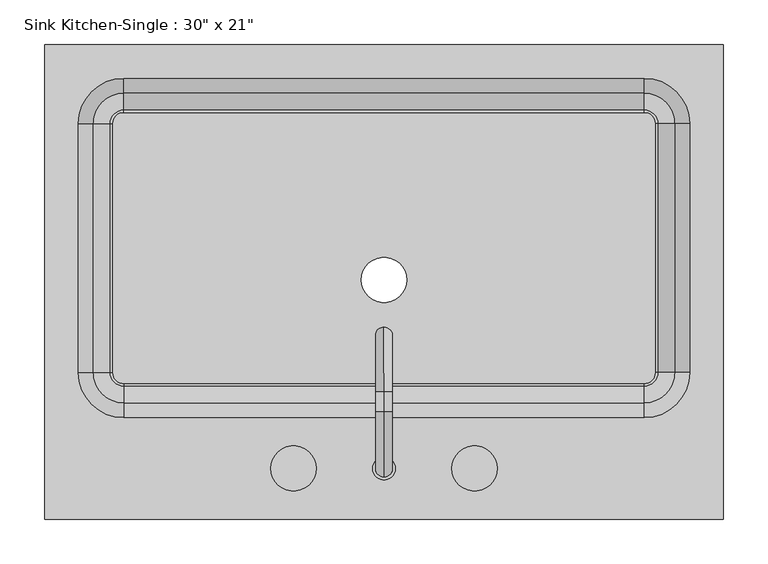
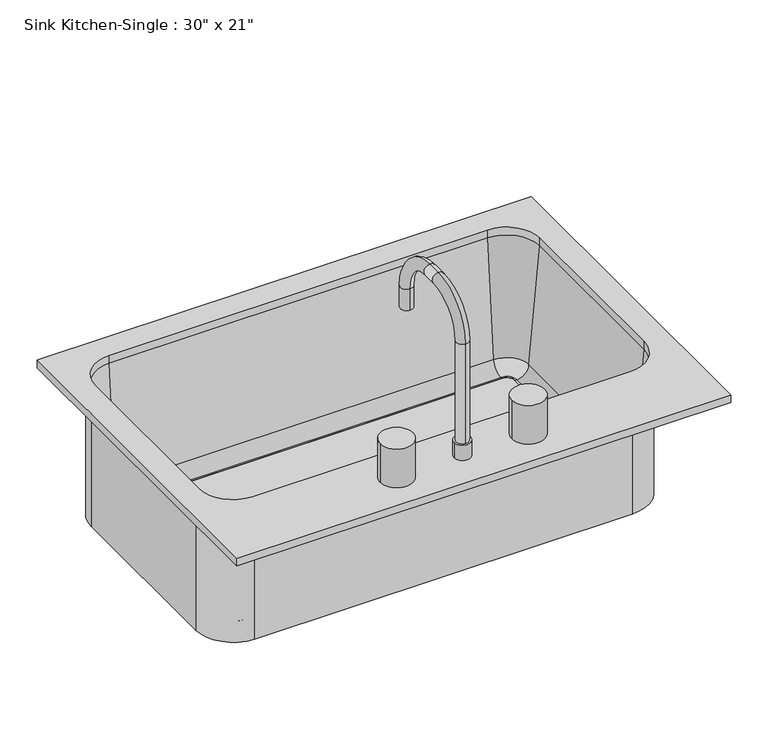
"""IFC4 building model written with IfcOpenShell, lengths in millimetres: flow terminal geometry."""

import ifcopenshell
import ifcopenshell.guid

model = None  # the IFC model being written
_history = None  # IfcOwnerHistory: only IFC2X3 demands one
_inside = {}  # id of a spatial element -> (the spatial element, [elements in it])
_under = {}  # id of a project, library or spatial element -> (it, [spatial elements below it])
_declared = {}  # id of a project -> (the project, [libraries it declares])
_typed = {}  # id of a type object -> (the type object, [elements of that type])
_made_of = {}  # id of a material, layer set ... -> (it, [elements and type objects made of it])


def new_model(schema):
    """Start an empty IFC model of exactly this schema.

    Asked for "IFC4X3", IfcOpenShell would pick the latest addendum, in which some entities
    have other attributes; the version numbers below select the first issue.
    IFC2X3 requires an IfcOwnerHistory on every rooted entity: one is made here for all.
    """
    global model, _history
    if schema == "IFC4X3":
        model = ifcopenshell.file(schema_version=(4, 3, 0, 0))
    else:
        model = ifcopenshell.file(schema=schema)
    _inside.clear()
    _under.clear()
    _declared.clear()
    _typed.clear()
    _made_of.clear()
    _history = None
    if model.schema == "IFC2X3":
        org = make("IfcOrganization", Name="unknown")
        user = make(
            "IfcPersonAndOrganization",
            ThePerson=make("IfcPerson", FamilyName="unknown"),
            TheOrganization=org,
        )
        app = make(
            "IfcApplication",
            ApplicationDeveloper=org,
            Version="unknown",
            ApplicationFullName="unknown",
            ApplicationIdentifier="unknown",
        )
        _history = make(
            "IfcOwnerHistory",
            OwningUser=user,
            OwningApplication=app,
            ChangeAction="ADDED",
            CreationDate=0,
        )
    return model


def make(cls, **values):
    """One entity of the class cls with the attributes given. An attribute that is None is left unset."""
    return model.create_entity(
        cls, **{name: value for name, value in values.items() if value is not None}
    )


def rooted(cls, **values):
    """An entity with a GlobalId (a new one), such as an element, a storey or a relation."""
    return make(cls, GlobalId=ifcopenshell.guid.new(), OwnerHistory=_history, **values)


def si_unit(unit_type, name, prefix=None):
    """IfcSIUnit, for example si_unit("LENGTHUNIT", "METRE", prefix="MILLI")."""
    return make("IfcSIUnit", UnitType=unit_type, Prefix=prefix, Name=name)


def assignment(units):
    """IfcUnitAssignment: the units of a project."""
    return None if units is None else make("IfcUnitAssignment", Units=units)


def point(xyz):
    """IfcCartesianPoint."""
    return None if xyz is None else make("IfcCartesianPoint", Coordinates=xyz)


def direction(xyz):
    """IfcDirection."""
    return None if xyz is None else make("IfcDirection", DirectionRatios=xyz)


def frame(location, z_axis=None, x_axis=None):
    """IfcAxis2Placement3D, a coordinate frame: its origin and axes. An axis left out is left unset."""
    return make(
        "IfcAxis2Placement3D",
        Location=point(location),
        Axis=direction(z_axis),
        RefDirection=direction(x_axis),
    )


def frame_2d(location, x_axis=None):
    """IfcAxis2Placement2D, a coordinate frame in the plane: its origin and x axis."""
    return make(
        "IfcAxis2Placement2D", Location=point(location), RefDirection=direction(x_axis)
    )


def origin():
    """The frame at (0, 0, 0) with its axes left unset."""
    return frame((0.0, 0.0, 0.0))


def place(relative_to, where):
    """IfcLocalPlacement: puts the frame where relative to a parent placement (None: the world)."""
    return make(
        "IfcLocalPlacement", PlacementRelTo=relative_to, RelativePlacement=where
    )


def context(
    kind, dimensions, precision=None, world=None, true_north=None, identifier=None
):
    """IfcGeometricRepresentationContext, for example the 3D "Model" context."""
    return make(
        "IfcGeometricRepresentationContext",
        ContextIdentifier=identifier,
        ContextType=kind,
        CoordinateSpaceDimension=dimensions,
        Precision=precision,
        WorldCoordinateSystem=world,
        TrueNorth=true_north,
    )


def project(units=None, contexts=None):
    """IfcProject with its units and contexts."""
    return rooted(
        "IfcProject",
        Name="project",
        RepresentationContexts=contexts,
        UnitsInContext=assignment(units),
    )


def spatial(cls, under=None, at=None, **own):
    """A site, building, storey or space (cls), placed at a placement, below another one or the project."""
    s = rooted(cls, ObjectPlacement=at, **own)
    if under is not None:
        _under.setdefault(under.id(), (under, []))[1].append(s)
    return s


def polyline(points):
    """IfcPolyline through the points."""
    return make("IfcPolyline", Points=[point(p) for p in points])


def circle_curve(where, radius):
    """IfcCircle in the frame where."""
    return make("IfcCircle", Position=where, Radius=radius)


def ellipse_curve(where, semi_axis1, semi_axis2):
    """IfcEllipse in the frame where."""
    return make(
        "IfcEllipse", Position=where, SemiAxis1=semi_axis1, SemiAxis2=semi_axis2
    )


def trimmed(basis, trim1, trim2, sense, master):
    """IfcTrimmedCurve: the piece of a basis curve between two trims."""
    return make(
        "IfcTrimmedCurve",
        BasisCurve=basis,
        Trim1=trim1,
        Trim2=trim2,
        SenseAgreement=sense,
        MasterRepresentation=master,
    )


def segment(curve, same_sense, transition):
    """IfcCompositeCurveSegment."""
    return make(
        "IfcCompositeCurveSegment",
        Transition=transition,
        SameSense=same_sense,
        ParentCurve=curve,
    )


def composite_curve(segments, self_intersect=None):
    """IfcCompositeCurve: segments joined end to end."""
    return make("IfcCompositeCurve", Segments=segments, SelfIntersect=self_intersect)


def outline(outer, holes=None, kind="AREA"):
    """IfcArbitraryClosedProfileDef: a profile drawn as a closed curve; with holes, ...WithVoids."""
    if holes is None:
        return make("IfcArbitraryClosedProfileDef", ProfileType=kind, OuterCurve=outer)
    return make(
        "IfcArbitraryProfileDefWithVoids",
        ProfileType=kind,
        OuterCurve=outer,
        InnerCurves=holes,
    )


def extrude(swept, where, along, depth):
    """IfcExtrudedAreaSolid: the profile swept, set in the frame where, extruded along a direction by depth."""
    return make(
        "IfcExtrudedAreaSolid",
        SweptArea=swept,
        Position=where,
        ExtrudedDirection=direction(along),
        Depth=depth,
    )


def shape(context_of_items, identifier, shape_type, items):
    """IfcShapeRepresentation: the items that make up one representation, for example the "Body"."""
    return make(
        "IfcShapeRepresentation",
        ContextOfItems=context_of_items,
        RepresentationIdentifier=identifier,
        RepresentationType=shape_type,
        Items=items,
    )


def source(mapping_origin, context_of_items, identifier, shape_type, items):
    """IfcRepresentationMap: a shape defined once, which mapped items show again and again."""
    return make(
        "IfcRepresentationMap",
        MappingOrigin=mapping_origin,
        MappedRepresentation=shape(context_of_items, identifier, shape_type, items),
    )


def transform(
    local_origin,
    x_axis=None,
    y_axis=None,
    z_axis=None,
    scale=None,
    scale2=None,
    scale3=None,
    uniform=True,
):
    """IfcCartesianTransformationOperator3D, or its non-uniform kind. x_axis, y_axis, z_axis: its Axis1, 2, 3."""
    if uniform:
        return make(
            "IfcCartesianTransformationOperator3D",
            Axis1=direction(x_axis),
            Axis2=direction(y_axis),
            LocalOrigin=point(local_origin),
            Scale=scale,
            Axis3=direction(z_axis),
        )
    return make(
        "IfcCartesianTransformationOperator3DnonUniform",
        Axis1=direction(x_axis),
        Axis2=direction(y_axis),
        LocalOrigin=point(local_origin),
        Scale=scale,
        Axis3=direction(z_axis),
        Scale2=scale2,
        Scale3=scale3,
    )


def mapped(mapping_source, mapping_target):
    """IfcMappedItem: shows the shape of a source again, moved by a transform."""
    return make(
        "IfcMappedItem", MappingSource=mapping_source, MappingTarget=mapping_target
    )


def made_of(thing, what):
    """Note that an element or type object is made of a material, layer set ...; save() writes the relation."""
    if what is not None:
        _made_of.setdefault(what.id(), (what, []))[1].append(thing)
    return thing


def element(
    cls,
    number,
    at=None,
    inside=None,
    cuts=None,
    type_object=None,
    material=None,
    context=None,
    identifier="Body",
    shape_type=None,
    held_by="IfcProductDefinitionShape",
    body=None,
    shapes=None,
    **own,
):
    """One element of the class cls, such as IfcWall. Its Tag is "e" and its number.

    at: its placement. inside: the storey or other place that contains it. cuts: it is an
    opening in that element (IfcRelVoidsElement). A single representation is given by context,
    identifier, shape_type and body (its items); several are given by shapes. held_by: the class
    of the entity that holds the representations. save() writes the other relations.
    """
    e = rooted(cls, Tag="e%d" % number, ObjectPlacement=at, **own)
    if body is not None:
        shapes = [shape(context, identifier, shape_type, body)]
    if shapes is not None:
        e.Representation = make(held_by, Representations=shapes)
    if inside is not None:
        _inside.setdefault(inside.id(), (inside, []))[1].append(e)
    if cuts is not None:
        rooted(
            "IfcRelVoidsElement", RelatingBuildingElement=cuts, RelatedOpeningElement=e
        )
    if type_object is not None:
        _typed.setdefault(type_object.id(), (type_object, []))[1].append(e)
    return made_of(e, material)


def aggregate(whole, parts):
    """IfcRelAggregates: a whole, such as a stair, and the parts it consists of."""
    return rooted("IfcRelAggregates", RelatingObject=whole, RelatedObjects=parts)


def save(model, path):
    """Write the relations noted so far, then the file.

    IfcRelAggregates (storeys below a building ...), IfcRelContainedInSpatialStructure (elements
    in a storey), IfcRelDefinesByType, IfcRelAssociatesMaterial and IfcRelDeclares: one each for
    every whole, place, type object, material and project.
    """
    for whole, parts in _under.values():
        aggregate(whole, parts)
    for where, things in _inside.values():
        rooted(
            "IfcRelContainedInSpatialStructure",
            RelatedElements=things,
            RelatingStructure=where,
        )
    for kind, things in _typed.values():
        rooted("IfcRelDefinesByType", RelatedObjects=things, RelatingType=kind)
    for what, things in _made_of.values():
        rooted("IfcRelAssociatesMaterial", RelatedObjects=things, RelatingMaterial=what)
    for by, libraries in _declared.values():
        rooted("IfcRelDeclares", RelatingContext=by, RelatedDefinitions=libraries)
    model.write(path)


def plane_surface(at):
    """IfcPlane: the flat surface through the origin of the frame at, square to its z axis."""
    return make("IfcPlane", Position=at)


def cylinder_surface(at, radius):
    """IfcCylindricalSurface: all points at the distance radius from the z axis of the frame at."""
    return make("IfcCylindricalSurface", Position=at, Radius=radius)


def revolved_surface(curve, axis_point, axis_direction):
    """IfcSurfaceOfRevolution: the curve turned about the line through axis_point along axis_direction."""
    return make(
        "IfcSurfaceOfRevolution",
        SweptCurve=make("IfcArbitraryOpenProfileDef", ProfileType="CURVE", Curve=curve),
        AxisPosition=make("IfcAxis1Placement", Location=point(axis_point), Axis=direction(axis_direction)),
    )


def advanced_brep(points, edges, surfaces, faces):
    """IfcAdvancedBrep: a solid bounded by faces that lie on surfaces and meet in shared edges.

    An edge is (start, end): straight between two places in points (the first is 0);
    or (start, end, curve); or (start, end, curve, False) where it runs against its curve.
    A face is (place in surfaces, loops), or (place, loops, False) where it looks against
    its surface's normal. A loop lists edges by number (the first is 1), with a minus sign
    where the edge is run from its end to its start. The first loop is the outer one.
    """
    corners = [point(p) for p in points]
    vertices = [make("IfcVertexPoint", VertexGeometry=c) for c in corners]
    made = []
    for start, end, *more in edges:
        made.append(
            make(
                "IfcEdgeCurve",
                EdgeStart=vertices[start],
                EdgeEnd=vertices[end],
                EdgeGeometry=more[0] if more else make("IfcPolyline", Points=[corners[start], corners[end]]),
                SameSense=more[1] if len(more) > 1 else True,
            )
        )
    hull = []
    for where, loops, *sense in faces:
        bounds = []
        for j, loop in enumerate(loops):
            ring = [make("IfcOrientedEdge", EdgeElement=made[abs(k) - 1], Orientation=k > 0) for k in loop]
            bounds.append(
                make(
                    "IfcFaceOuterBound" if j == 0 else "IfcFaceBound",
                    Bound=make("IfcEdgeLoop", EdgeList=ring),
                    Orientation=True,
                )
            )
        hull.append(make("IfcAdvancedFace", Bounds=bounds, FaceSurface=surfaces[where], SameSense=sense[0] if sense else True))
    return make("IfcAdvancedBrep", Outer=make("IfcClosedShell", CfsFaces=hull))


def flow_terminal_e2d888b9(model_context):
    return source(origin(), model_context, "Body", "SolidModel", [
        advanced_brep(
        [(396.6892406, -269.0454011, 927.1), (396.6892406, 264.3545989, 927.1), (-365.3107594, 264.3545989, 927.1), (-365.3107594, -269.0454011, 927.1), (307.7892406, -154.7454011, 927.1), (-276.4107594, -154.7454011, 927.1), (-327.2107594, -103.9454011, 927.1), (-327.2107594, 175.4545989, 927.1), (-276.4107594, 226.2545989, 927.1), (307.7892406, 226.2545989, 927.1), (358.5892406, 175.4545989, 927.1), (358.5892406, -103.9454011, 927.1), (396.6892406, -269.0454011, 914.4), (-365.3107594, -269.0454011, 914.4), (-365.3107594, 264.3545989, 914.4), (396.6892406, 264.3545989, 914.4), (364.9392406, -103.9454011, 914.4), (364.9392406, 175.4545989, 914.4), (307.7892406, 232.6045989, 914.4), (-276.4107594, 232.6045989, 914.4), (-333.5607594, 175.4545989, 914.4), (-333.5607594, -103.9454011, 914.4), (-276.4107594, -161.0954011, 914.4), (307.7892406, -161.0954011, 914.4), (358.5892406, -103.9454011, 914.4), (307.7892406, -154.7454011, 914.4), (358.5892406, 175.4545989, 914.4), (307.7892406, 226.2545989, 914.4), (-276.4107594, 226.2545989, 914.4), (-327.2107594, 175.4545989, 914.4), (-327.2107594, -103.9454011, 914.4), (-276.4107594, -154.7454011, 914.4), (364.9392406, -103.9454011, 698.5), (307.7892406, -161.0954011, 698.5), (307.7892406, -116.6454011, 698.5), (320.4892406, -103.9454011, 698.5), (307.7892406, -116.6454011, 708.025), (320.4892406, -103.9454011, 708.025), (307.7892406, -119.2338193, 708.025), (323.0776588, -103.9454011, 708.025), (307.7892406, -138.2113283, 725.4146831), (342.0551678, -103.9454011, 725.4146831), (364.9392406, 175.4545989, 698.5), (320.4892406, 175.4545989, 698.5), (320.4892406, 175.4545989, 708.025), (323.0776588, 175.4545989, 708.025), (342.0551678, 175.4545989, 725.4146831), (307.7892406, 232.6045989, 698.5), (307.7892406, 188.1545989, 698.5), (307.7892406, 188.1545989, 708.025), (307.7892406, 190.7430171, 708.025), (307.7892406, 209.7205261, 725.4146831), (-276.4107594, 232.6045989, 698.5), (-276.4107594, 188.1545989, 698.5), (-276.4107594, 188.1545989, 708.025), (-276.4107594, 190.7430171, 708.025), (-276.4107594, 209.7205261, 725.4146831), (-333.5607594, 175.4545989, 698.5), (-289.1107594, 175.4545989, 698.5), (-289.1107594, 175.4545989, 708.025), (-291.6991776, 175.4545989, 708.025), (-310.6766866, 175.4545989, 725.4146831), (-333.5607594, -103.9454011, 698.5), (-289.1107594, -103.9454011, 698.5), (-289.1107594, -103.9454011, 708.025), (-291.6991776, -103.9454011, 708.025), (-310.6766866, -103.9454011, 725.4146831), (-276.4107594, -161.0954011, 698.5), (-276.4107594, -116.6454011, 698.5), (-276.4107594, -116.6454011, 708.025), (-276.4107594, -119.2338193, 708.025), (-276.4107594, -138.2113283, 725.4146831)],
        [
            (0, 1),
            (1, 2),
            (2, 3),
            (3, 0),
            (4, 5),
            (5, 6, circle_curve(frame((-276.4107594, -103.9454011, 927.1), z_axis=(0.0, 0.0, -1.0), x_axis=(1.0, 0.0, 0.0)), 50.8)),
            (6, 7),
            (7, 8, circle_curve(frame((-276.4107594, 175.4545989, 927.1), z_axis=(0.0, 0.0, -1.0), x_axis=(1.0, 0.0, 0.0)), 50.8)),
            (8, 9),
            (9, 10, circle_curve(frame((307.7892406, 175.4545989, 927.1), z_axis=(0.0, 0.0, -1.0), x_axis=(1.0, 0.0, 0.0)), 50.8)),
            (10, 11),
            (11, 4, circle_curve(frame((307.7892406, -103.9454011, 927.1), z_axis=(0.0, 0.0, -1.0), x_axis=(1.0, 0.0, 0.0)), 50.8)),
            (12, 13),
            (13, 14),
            (14, 15),
            (15, 12),
            (16, 17),
            (17, 18, circle_curve(frame((307.7892406, 175.4545989, 914.4), z_axis=(0.0, 0.0, 1.0), x_axis=(1.0, 0.0, 0.0)), 57.15)),
            (18, 19),
            (19, 20, circle_curve(frame((-276.4107594, 175.4545989, 914.4), z_axis=(0.0, 0.0, 1.0), x_axis=(0.0, 1.0, 0.0)), 57.15)),
            (20, 21),
            (21, 22, circle_curve(frame((-276.4107594, -103.9454011, 914.4), z_axis=(0.0, 0.0, 1.0), x_axis=(-1.0, 0.0, 0.0)), 57.15)),
            (22, 23),
            (23, 16, circle_curve(frame((307.7892406, -103.9454011, 914.4), z_axis=(0.0, 0.0, 1.0), x_axis=(0.0, -1.0, 0.0)), 57.15)),
            (3, 13),
            (12, 0),
            (2, 14),
            (1, 15),
            (11, 24),
            (24, 25, circle_curve(frame((307.7892406, -103.9454011, 914.4), z_axis=(0.0, 0.0, -1.0), x_axis=(1.0, 0.0, 0.0)), 50.8)),
            (25, 4),
            (10, 26),
            (26, 24),
            (9, 27),
            (27, 26, circle_curve(frame((307.7892406, 175.4545989, 914.4), z_axis=(0.0, 0.0, -1.0), x_axis=(1.0, 0.0, 0.0)), 50.8)),
            (8, 28),
            (28, 27),
            (7, 29),
            (29, 28, circle_curve(frame((-276.4107594, 175.4545989, 914.4), z_axis=(0.0, 0.0, -1.0), x_axis=(1.0, 0.0, 0.0)), 50.8)),
            (6, 30),
            (30, 29),
            (5, 31),
            (31, 30, circle_curve(frame((-276.4107594, -103.9454011, 914.4), z_axis=(0.0, 0.0, -1.0), x_axis=(1.0, 0.0, 0.0)), 50.8)),
            (25, 31),
            (32, 16),
            (23, 33),
            (33, 32, circle_curve(frame((307.7892406, -103.9454011, 698.5), z_axis=(0.0, 0.0, 1.0), x_axis=(0.0, -1.0, 0.0)), 57.15)),
            (33, 34),
            (34, 35, circle_curve(frame((307.7892406, -103.9454011, 698.5), z_axis=(0.0, 0.0, 1.0), x_axis=(0.0, -1.0, 0.0)), 12.7)),
            (35, 32),
            (34, 36),
            (36, 37, circle_curve(frame((307.7892406, -103.9454011, 708.025), z_axis=(0.0, 0.0, 1.0), x_axis=(0.0, -1.0, 0.0)), 12.7)),
            (37, 35),
            (36, 38),
            (38, 39, circle_curve(frame((307.7892406, -103.9454011, 708.025), z_axis=(0.0, 0.0, 1.0), x_axis=(0.0, -1.0, 0.0)), 15.2884182)),
            (39, 37),
            (38, 40, circle_curve(frame((307.7892406, -119.2338193, 727.075), z_axis=(-1.0, 0.0, 0.0), x_axis=(0.0, -1.0, 0.0)), 19.05)),
            (40, 41, circle_curve(frame((307.7892406, -103.9454011, 725.4146831), z_axis=(0.0, 0.0, 1.0), x_axis=(0.0, -1.0, 0.0)), 34.2659272)),
            (41, 39, circle_curve(frame((323.0776588, -103.9454011, 727.075), z_axis=(0.0, 1.0, 0.0), x_axis=(1.0, 0.0, 0.0)), 19.05)),
            (40, 25),
            (24, 41),
            (32, 42),
            (42, 17),
            (35, 43),
            (43, 42),
            (37, 44),
            (44, 43),
            (39, 45),
            (45, 44),
            (41, 46),
            (46, 45, circle_curve(frame((323.0776588, 175.4545989, 727.075), z_axis=(0.0, 1.0, 0.0), x_axis=(1.0, 0.0, 0.0)), 19.05)),
            (26, 46),
            (42, 47, circle_curve(frame((307.7892406, 175.4545989, 698.5), z_axis=(0.0, 0.0, 1.0), x_axis=(1.0, 0.0, 0.0)), 57.15)),
            (47, 18),
            (43, 48, circle_curve(frame((307.7892406, 175.4545989, 698.5), z_axis=(0.0, 0.0, 1.0), x_axis=(1.0, 0.0, 0.0)), 12.7)),
            (48, 47),
            (44, 49, circle_curve(frame((307.7892406, 175.4545989, 708.025), z_axis=(0.0, 0.0, 1.0), x_axis=(1.0, 0.0, 0.0)), 12.7)),
            (49, 48),
            (45, 50, circle_curve(frame((307.7892406, 175.4545989, 708.025), z_axis=(0.0, 0.0, 1.0), x_axis=(1.0, 0.0, 0.0)), 15.2884182)),
            (50, 49),
            (46, 51, circle_curve(frame((307.7892406, 175.4545989, 725.4146831), z_axis=(0.0, 0.0, 1.0), x_axis=(1.0, 0.0, 0.0)), 34.2659272)),
            (51, 50, circle_curve(frame((307.7892406, 190.7430171, 727.075), z_axis=(-1.0, 0.0, 0.0), x_axis=(0.0, 1.0, 0.0)), 19.05)),
            (27, 51),
            (47, 52),
            (52, 19),
            (48, 53),
            (53, 52),
            (49, 54),
            (54, 53),
            (50, 55),
            (55, 54),
            (51, 56),
            (56, 55, circle_curve(frame((-276.4107594, 190.7430171, 727.075), z_axis=(-1.0, 0.0, 0.0), x_axis=(0.0, 1.0, 0.0)), 19.05)),
            (28, 56),
            (52, 57, circle_curve(frame((-276.4107594, 175.4545989, 698.5), z_axis=(0.0, 0.0, 1.0), x_axis=(0.0, 1.0, 0.0)), 57.15)),
            (57, 20),
            (53, 58, circle_curve(frame((-276.4107594, 175.4545989, 698.5), z_axis=(0.0, 0.0, 1.0), x_axis=(0.0, 1.0, 0.0)), 12.7)),
            (58, 57),
            (54, 59, circle_curve(frame((-276.4107594, 175.4545989, 708.025), z_axis=(0.0, 0.0, 1.0), x_axis=(0.0, 1.0, 0.0)), 12.7)),
            (59, 58),
            (55, 60, circle_curve(frame((-276.4107594, 175.4545989, 708.025), z_axis=(0.0, 0.0, 1.0), x_axis=(0.0, 1.0, 0.0)), 15.2884182)),
            (60, 59),
            (56, 61, circle_curve(frame((-276.4107594, 175.4545989, 725.4146831), z_axis=(0.0, 0.0, 1.0), x_axis=(0.0, 1.0, 0.0)), 34.2659272)),
            (61, 60, circle_curve(frame((-291.6991776, 175.4545989, 727.075), z_axis=(0.0, -1.0, 0.0), x_axis=(-1.0, 0.0, 0.0)), 19.05)),
            (29, 61),
            (57, 62),
            (62, 21),
            (58, 63),
            (63, 62),
            (59, 64),
            (64, 63),
            (60, 65),
            (65, 64),
            (61, 66),
            (66, 65, circle_curve(frame((-291.6991776, -103.9454011, 727.075), z_axis=(0.0, -1.0, 0.0), x_axis=(-1.0, 0.0, 0.0)), 19.05)),
            (30, 66),
            (62, 67, circle_curve(frame((-276.4107594, -103.9454011, 698.5), z_axis=(0.0, 0.0, 1.0), x_axis=(-1.0, 0.0, 0.0)), 57.15)),
            (67, 22),
            (63, 68, circle_curve(frame((-276.4107594, -103.9454011, 698.5), z_axis=(0.0, 0.0, 1.0), x_axis=(-1.0, 0.0, 0.0)), 12.7)),
            (68, 67),
            (64, 69, circle_curve(frame((-276.4107594, -103.9454011, 708.025), z_axis=(0.0, 0.0, 1.0), x_axis=(-1.0, 0.0, 0.0)), 12.7)),
            (69, 68),
            (65, 70, circle_curve(frame((-276.4107594, -103.9454011, 708.025), z_axis=(0.0, 0.0, 1.0), x_axis=(-1.0, 0.0, 0.0)), 15.2884182)),
            (70, 69),
            (66, 71, circle_curve(frame((-276.4107594, -103.9454011, 725.4146831), z_axis=(0.0, 0.0, 1.0), x_axis=(-1.0, 0.0, 0.0)), 34.2659272)),
            (71, 70, circle_curve(frame((-276.4107594, -119.2338193, 727.075), z_axis=(1.0, 0.0, 0.0), x_axis=(0.0, -1.0, 0.0)), 19.05)),
            (31, 71),
            (67, 33),
            (68, 34),
            (69, 36),
            (70, 38),
            (71, 40),
        ],
        [
            plane_surface(frame((-365.3107594, -269.0454011, 927.1), z_axis=(0.0, 0.0, 1.0), x_axis=(-1.0, 0.0, 0.0))),
            plane_surface(frame((-365.3107594, -269.0454011, 914.4), z_axis=(0.0, 0.0, -1.0), x_axis=(1.0, 0.0, 0.0))),
            plane_surface(frame((396.6892406, -269.0454011, 927.1), z_axis=(0.0, -1.0, 0.0), x_axis=(0.0, 0.0, -1.0))),
            plane_surface(frame((-365.3107594, -269.0454011, 927.1), z_axis=(-1.0, 0.0, 0.0), x_axis=(0.0, 0.0, -1.0))),
            plane_surface(frame((-365.3107594, 264.3545989, 927.1), z_axis=(0.0, 1.0, 0.0), x_axis=(0.0, 0.0, -1.0))),
            plane_surface(frame((396.6892406, 264.3545989, 927.1), z_axis=(1.0, 0.0, 0.0), x_axis=(0.0, 0.0, -1.0))),
            revolved_surface(polyline([(358.58924060000004, -103.9454011, 914.4), (358.58924060000004, -103.9454011, 927.1)]), (307.7892406, -103.9454011, 0.0), (0.0, 0.0, -1.0)),
            plane_surface(frame((358.5892406, -103.9454011, 927.1), z_axis=(-1.0, 0.0, 0.0), x_axis=(0.0, 0.0, -1.0))),
            revolved_surface(polyline([(358.58924060000004, 175.4545989, 914.4), (358.58924060000004, 175.4545989, 927.1)]), (307.7892406, 175.4545989, 0.0), (0.0, 0.0, -1.0)),
            plane_surface(frame((307.7892406, 226.2545989, 927.1), z_axis=(0.0, -1.0, 0.0), x_axis=(0.0, 0.0, -1.0))),
            revolved_surface(polyline([(-225.6107594, 175.4545989, 914.4), (-225.6107594, 175.4545989, 927.1)]), (-276.4107594, 175.4545989, 0.0), (0.0, 0.0, -1.0)),
            plane_surface(frame((-327.2107594, 175.4545989, 927.1), z_axis=(1.0, 0.0, 0.0), x_axis=(0.0, 0.0, -1.0))),
            revolved_surface(polyline([(-225.6107594, -103.9454011, 914.4), (-225.6107594, -103.9454011, 927.1)]), (-276.4107594, -103.9454011, 0.0), (0.0, 0.0, -1.0)),
            plane_surface(frame((-276.4107594, -154.7454011, 927.1), z_axis=(0.0, 1.0, 0.0), x_axis=(0.0, 0.0, -1.0))),
            cylinder_surface(frame((307.7892406, -103.9454011, 0.0), z_axis=(0.0, 0.0, -1.0), x_axis=(0.0, -1.0, 0.0)), 57.15),
            plane_surface(frame((307.7892406, -103.9454011, 698.5), z_axis=(0.0, 0.0, -1.0), x_axis=(0.0, -1.0, 0.0))),
            revolved_surface(polyline([(307.7892406, -116.6454011, 698.5), (307.7892406, -116.6454011, 708.025)]), (307.7892406, -103.9454011, 0.0), (0.0, 0.0, -1.0)),
            plane_surface(frame((307.7892406, -103.9454011, 708.025), z_axis=(0.0, 0.0, 1.0), x_axis=(0.0, -1.0, 0.0))),
            revolved_surface(trimmed(ellipse_curve(frame((307.7892406, -119.2338193, 727.075), z_axis=(-1.0, 0.0, 0.0), x_axis=(0.0, -1.0, 0.0)), 19.05, 19.05), [point((307.7892406, -119.2338193, 708.025))], [point((307.7892406, -138.2113283, 725.4146831))], True, "CARTESIAN"), (307.7892406, -103.9454011, 0.0), (0.0, 0.0, -1.0)),
            revolved_surface(polyline([(307.7892406, -138.2113283, 725.4146831), (307.7892406, -154.7454011, 914.4)]), (307.7892406, -103.9454011, 0.0), (0.0, 0.0, -1.0)),
            plane_surface(frame((364.9392406, -103.9454011, 914.4), z_axis=(1.0, 0.0, 0.0), x_axis=(0.0, 1.0, 0.0))),
            plane_surface(frame((364.9392406, -103.9454011, 698.5), z_axis=(0.0, 0.0, -1.0), x_axis=(0.0, 1.0, 0.0))),
            plane_surface(frame((320.4892406, -103.9454011, 698.5), z_axis=(-1.0, 0.0, 0.0), x_axis=(0.0, 1.0, 0.0))),
            plane_surface(frame((320.4892406, -103.9454011, 708.025), z_axis=(0.0, 0.0, 1.0), x_axis=(0.0, 1.0, 0.0))),
            revolved_surface(polyline([(342.1276588, 175.45459889999998, 727.075), (342.1276588, -103.9454011, 727.075)]), (323.0776588, -103.9454011, 727.075), (0.0, 1.0, 0.0)),
            plane_surface(frame((342.0551678, -103.9454011, 725.4146831), z_axis=(-0.9961946980917442, 0.0, 0.08715574274767306), x_axis=(0.0, 1.0, 0.0))),
            cylinder_surface(frame((307.7892406, 175.4545989, 0.0), z_axis=(0.0, 0.0, -1.0), x_axis=(1.0, 0.0, 0.0)), 57.15),
            plane_surface(frame((307.7892406, 175.4545989, 698.5), z_axis=(0.0, 0.0, -1.0), x_axis=(1.0, 0.0, 0.0))),
            revolved_surface(polyline([(320.4892406, 175.4545989, 698.5), (320.4892406, 175.4545989, 708.025)]), (307.7892406, 175.4545989, 0.0), (0.0, 0.0, -1.0)),
            plane_surface(frame((307.7892406, 175.4545989, 708.025), z_axis=(0.0, 0.0, 1.0), x_axis=(1.0, 0.0, 0.0))),
            revolved_surface(trimmed(ellipse_curve(frame((323.0776588, 175.4545989, 727.075), z_axis=(0.0, -1.0, 0.0), x_axis=(1.0, 0.0, 0.0)), 19.05, 19.05), [point((323.0776588, 175.4545989, 708.025))], [point((342.0551678, 175.4545989, 725.4146831))], True, "CARTESIAN"), (307.7892406, 175.4545989, 0.0), (0.0, 0.0, -1.0)),
            revolved_surface(polyline([(342.0551678, 175.4545989, 725.4146831), (358.5892406, 175.4545989, 914.4)]), (307.7892406, 175.4545989, 0.0), (0.0, 0.0, -1.0)),
            plane_surface(frame((307.7892406, 232.6045989, 914.4), z_axis=(0.0, 1.0, 0.0), x_axis=(-1.0, 0.0, 0.0))),
            plane_surface(frame((307.7892406, 232.6045989, 698.5), z_axis=(0.0, 0.0, -1.0), x_axis=(-1.0, 0.0, 0.0))),
            plane_surface(frame((307.7892406, 188.1545989, 698.5), z_axis=(0.0, -1.0, 0.0), x_axis=(-1.0, 0.0, 0.0))),
            plane_surface(frame((307.7892406, 188.1545989, 708.025), z_axis=(0.0, 0.0, 1.0), x_axis=(-1.0, 0.0, 0.0))),
            revolved_surface(polyline([(-276.4107594, 209.79301710000001, 727.075), (307.7892406, 209.79301710000001, 727.075)]), (307.7892406, 190.7430171, 727.075), (-1.0, 0.0, 0.0)),
            plane_surface(frame((307.7892406, 209.7205261, 725.4146831), z_axis=(0.0, -0.9961946980917442, 0.08715574274767306), x_axis=(-1.0, 0.0, 0.0))),
            cylinder_surface(frame((-276.4107594, 175.4545989, 0.0), z_axis=(0.0, 0.0, -1.0), x_axis=(0.0, 1.0, 0.0)), 57.15),
            plane_surface(frame((-276.4107594, 175.4545989, 698.5), z_axis=(0.0, 0.0, -1.0), x_axis=(0.0, 1.0, 0.0))),
            revolved_surface(polyline([(-276.4107594, 188.1545989, 698.5), (-276.4107594, 188.1545989, 708.025)]), (-276.4107594, 175.4545989, 0.0), (0.0, 0.0, -1.0)),
            plane_surface(frame((-276.4107594, 175.4545989, 708.025), z_axis=(0.0, 0.0, 1.0), x_axis=(0.0, 1.0, 0.0))),
            revolved_surface(trimmed(ellipse_curve(frame((-276.4107594, 190.7430171, 727.075), z_axis=(1.0, 0.0, 0.0), x_axis=(0.0, 1.0, 0.0)), 19.05, 19.05), [point((-276.4107594, 190.7430171, 708.025))], [point((-276.4107594, 209.7205261, 725.4146831))], True, "CARTESIAN"), (-276.4107594, 175.4545989, 0.0), (0.0, 0.0, -1.0)),
            revolved_surface(polyline([(-276.4107594, 209.7205261, 725.4146831), (-276.4107594, 226.2545989, 914.4)]), (-276.4107594, 175.4545989, 0.0), (0.0, 0.0, -1.0)),
            plane_surface(frame((-333.5607594, 175.4545989, 914.4), z_axis=(-1.0, 0.0, 0.0), x_axis=(0.0, -1.0, 0.0))),
            plane_surface(frame((-333.5607594, 175.4545989, 698.5), z_axis=(0.0, 0.0, -1.0), x_axis=(0.0, -1.0, 0.0))),
            plane_surface(frame((-289.1107594, 175.4545989, 698.5), z_axis=(1.0, 0.0, 0.0), x_axis=(0.0, -1.0, 0.0))),
            plane_surface(frame((-289.1107594, 175.4545989, 708.025), z_axis=(0.0, 0.0, 1.0), x_axis=(0.0, -1.0, 0.0))),
            revolved_surface(polyline([(-310.7491776, -103.94540109999997, 727.075), (-310.7491776, 175.4545989, 727.075)]), (-291.6991776, 175.4545989, 727.075), (0.0, -1.0, 0.0)),
            plane_surface(frame((-310.6766866, 175.4545989, 725.4146831), z_axis=(0.9961946980917442, 0.0, 0.08715574274767306), x_axis=(0.0, -1.0, 0.0))),
            cylinder_surface(frame((-276.4107594, -103.9454011, 0.0), z_axis=(0.0, 0.0, -1.0), x_axis=(-1.0, 0.0, 0.0)), 57.15),
            plane_surface(frame((-276.4107594, -103.9454011, 698.5), z_axis=(0.0, 0.0, -1.0), x_axis=(-1.0, 0.0, 0.0))),
            revolved_surface(polyline([(-289.1107594, -103.9454011, 698.5), (-289.1107594, -103.9454011, 708.025)]), (-276.4107594, -103.9454011, 0.0), (0.0, 0.0, -1.0)),
            plane_surface(frame((-276.4107594, -103.9454011, 708.025), z_axis=(0.0, 0.0, 1.0), x_axis=(-1.0, 0.0, 0.0))),
            revolved_surface(trimmed(ellipse_curve(frame((-291.6991776, -103.9454011, 727.075), z_axis=(0.0, 1.0, 0.0), x_axis=(-1.0, 0.0, 0.0)), 19.05, 19.05), [point((-291.6991776, -103.9454011, 708.025))], [point((-310.6766866, -103.9454011, 725.4146831))], True, "CARTESIAN"), (-276.4107594, -103.9454011, 0.0), (0.0, 0.0, -1.0)),
            revolved_surface(polyline([(-310.6766866, -103.9454011, 725.4146831), (-327.2107594, -103.9454011, 914.4)]), (-276.4107594, -103.9454011, 0.0), (0.0, 0.0, -1.0)),
            plane_surface(frame((-276.4107594, -161.0954011, 914.4), z_axis=(0.0, -1.0, 0.0), x_axis=(1.0, 0.0, 0.0))),
            plane_surface(frame((-276.4107594, -161.0954011, 698.5), z_axis=(0.0, 0.0, -1.0), x_axis=(1.0, 0.0, 0.0))),
            plane_surface(frame((-276.4107594, -116.6454011, 698.5), z_axis=(0.0, 1.0, 0.0), x_axis=(1.0, 0.0, 0.0))),
            plane_surface(frame((-276.4107594, -116.6454011, 708.025), z_axis=(0.0, 0.0, 1.0), x_axis=(1.0, 0.0, 0.0))),
            revolved_surface(polyline([(307.7892406, -138.2838193, 727.075), (-276.4107594, -138.2838193, 727.075)]), (-276.4107594, -119.2338193, 727.075), (1.0, 0.0, 0.0)),
            plane_surface(frame((-276.4107594, -138.2113283, 725.4146831), z_axis=(0.0, 0.9961946980917442, 0.08715574274767306), x_axis=(1.0, 0.0, 0.0))),
        ],
        [
            (0, [[1, 2, 3, 4], [5, 6, 7, 8, 9, 10, 11, 12]]),
            (1, [[13, 14, 15, 16], [17, 18, 19, 20, 21, 22, 23, 24]]),
            (2, [[25, -13, 26, -4]]),
            (3, [[27, -14, -25, -3]]),
            (4, [[28, -15, -27, -2]]),
            (5, [[-26, -16, -28, -1]]),
            (6, [[29, 30, 31, -12]]),
            (7, [[32, 33, -29, -11]]),
            (8, [[34, 35, -32, -10]]),
            (9, [[36, 37, -34, -9]]),
            (10, [[38, 39, -36, -8]]),
            (11, [[40, 41, -38, -7]]),
            (12, [[42, 43, -40, -6]]),
            (13, [[-31, 44, -42, -5]]),
            (14, [[45, -24, 46, 47]]),
            (15, [[48, 49, 50, -47]]),
            (16, [[51, 52, 53, -49]]),
            (17, [[54, 55, 56, -52]]),
            (18, [[57, 58, 59, -55]]),
            (19, [[60, -30, 61, -58]]),
            (20, [[62, 63, -17, -45]]),
            (21, [[64, 65, -62, -50]]),
            (22, [[66, 67, -64, -53]]),
            (23, [[68, 69, -66, -56]]),
            (24, [[70, 71, -68, -59]]),
            (25, [[-33, 72, -70, -61]]),
            (26, [[73, 74, -18, -63]]),
            (27, [[75, 76, -73, -65]]),
            (28, [[77, 78, -75, -67]]),
            (29, [[79, 80, -77, -69]]),
            (30, [[81, 82, -79, -71]]),
            (31, [[-35, 83, -81, -72]]),
            (32, [[84, 85, -19, -74]]),
            (33, [[86, 87, -84, -76]]),
            (34, [[88, 89, -86, -78]]),
            (35, [[90, 91, -88, -80]]),
            (36, [[92, 93, -90, -82]]),
            (37, [[-37, 94, -92, -83]]),
            (38, [[95, 96, -20, -85]]),
            (39, [[97, 98, -95, -87]]),
            (40, [[99, 100, -97, -89]]),
            (41, [[101, 102, -99, -91]]),
            (42, [[103, 104, -101, -93]]),
            (43, [[-39, 105, -103, -94]]),
            (44, [[106, 107, -21, -96]]),
            (45, [[108, 109, -106, -98]]),
            (46, [[110, 111, -108, -100]]),
            (47, [[112, 113, -110, -102]]),
            (48, [[114, 115, -112, -104]]),
            (49, [[-41, 116, -114, -105]]),
            (50, [[117, 118, -22, -107]]),
            (51, [[119, 120, -117, -109]]),
            (52, [[121, 122, -119, -111]]),
            (53, [[123, 124, -121, -113]]),
            (54, [[125, 126, -123, -115]]),
            (55, [[-43, 127, -125, -116]]),
            (56, [[-23, -118, 128, -46]]),
            (57, [[-128, -120, 129, -48]]),
            (58, [[-129, -122, 130, -51]]),
            (59, [[-130, -124, 131, -54]]),
            (60, [[-131, -126, 132, -57]]),
            (61, [[-132, -127, -44, -60]]),
        ],
    ),
        advanced_brep(
        [(2.9892406, -211.8954011, 927.1), (28.3892406, -211.8954011, 927.1), (15.6892406, -221.4204011, 1114.425), (15.6892406, -221.4204011, 952.5), (15.6892406, -202.3704011, 952.5), (15.6892406, -202.3704011, 1114.425), (15.6892406, -148.3954011, 1168.4), (15.6892406, -148.3954011, 1187.45), (15.6892406, -126.1704011, 1168.4), (15.6892406, -126.1704011, 1187.45), (15.6892406, -72.1954011, 1114.425), (15.6892406, -53.1454011, 1114.425), (15.6892406, -53.1454011, 1079.5), (15.6892406, -72.1954011, 1079.5), (2.9892406, -211.8954011, 952.5), (28.3892406, -211.8954011, 952.5)],
        [
            (0, 1, circle_curve(frame((15.6892406, -211.8954011, 927.1), z_axis=(0.0, 0.0, -1.0), x_axis=(1.0, 0.0, 0.0)), 12.7)),
            (1, 0, circle_curve(frame((15.6892406, -211.8954011, 927.1), z_axis=(0.0, 0.0, -1.0), x_axis=(1.0, 0.0, 0.0)), 12.7)),
            (2, 3),
            (3, 4, circle_curve(frame((15.6892406, -211.8954011, 952.5), z_axis=(0.0, 0.0, 1.0), x_axis=(0.0, 1.0, 0.0)), 9.525)),
            (4, 5),
            (5, 2, circle_curve(frame((15.6892406, -211.8954011, 1114.425), z_axis=(0.0, 0.0, -1.0), x_axis=(0.0, 1.0, 0.0)), 9.525)),
            (4, 3, circle_curve(frame((15.6892406, -211.8954011, 952.5), z_axis=(0.0, 0.0, 1.0), x_axis=(0.0, 1.0, 0.0)), 9.525)),
            (2, 5, circle_curve(frame((15.6892406, -211.8954011, 1114.425), z_axis=(0.0, 0.0, -1.0), x_axis=(0.0, 1.0, 0.0)), 9.525)),
            (5, 6, circle_curve(frame((15.6892406, -148.3954011, 1114.425), z_axis=(-1.0, 0.0, 0.0), x_axis=(0.0, -1.0, 0.0)), 53.975)),
            (6, 7, circle_curve(frame((15.6892406, -148.3954011, 1177.925), z_axis=(0.0, -1.0, 0.0), x_axis=(0.0, 0.0, -1.0)), 9.525)),
            (7, 2, circle_curve(frame((15.6892406, -148.3954011, 1114.425), z_axis=(1.0, 0.0, 0.0), x_axis=(0.0, -1.0, 0.0)), 73.025)),
            (7, 6, circle_curve(frame((15.6892406, -148.3954011, 1177.925), z_axis=(0.0, -1.0, 0.0), x_axis=(0.0, 0.0, -1.0)), 9.525)),
            (6, 8),
            (8, 9, circle_curve(frame((15.6892406, -126.1704011, 1177.925), z_axis=(0.0, -1.0, 0.0), x_axis=(0.0, 0.0, -1.0)), 9.525)),
            (9, 7),
            (9, 8, circle_curve(frame((15.6892406, -126.1704011, 1177.925), z_axis=(0.0, -1.0, 0.0), x_axis=(0.0, 0.0, -1.0)), 9.525)),
            (8, 10, circle_curve(frame((15.6892406, -126.1704011, 1114.425), z_axis=(-1.0, 0.0, 0.0), x_axis=(0.0, 0.0, 1.0)), 53.975)),
            (10, 11, circle_curve(frame((15.6892406, -62.6704011, 1114.425), z_axis=(0.0, 0.0, 1.0), x_axis=(0.0, -1.0, 0.0)), 9.525)),
            (11, 9, circle_curve(frame((15.6892406, -126.1704011, 1114.425), z_axis=(1.0, 0.0, 0.0), x_axis=(0.0, 0.0, 1.0)), 73.025)),
            (11, 10, circle_curve(frame((15.6892406, -62.6704011, 1114.425), z_axis=(0.0, 0.0, 1.0), x_axis=(0.0, -1.0, 0.0)), 9.525)),
            (12, 13, circle_curve(frame((15.6892406, -62.6704011, 1079.5), z_axis=(0.0, 0.0, -1.0), x_axis=(0.0, -1.0, 0.0)), 9.525)),
            (13, 12, circle_curve(frame((15.6892406, -62.6704011, 1079.5), z_axis=(0.0, 0.0, -1.0), x_axis=(0.0, -1.0, 0.0)), 9.525)),
            (10, 13),
            (12, 11),
            (14, 15, circle_curve(frame((15.6892406, -211.8954011, 952.5), z_axis=(0.0, 0.0, 1.0), x_axis=(1.0, 0.0, 0.0)), 12.7)),
            (15, 14, circle_curve(frame((15.6892406, -211.8954011, 952.5), z_axis=(0.0, 0.0, 1.0), x_axis=(1.0, 0.0, 0.0)), 12.7)),
            (15, 1),
            (0, 14),
        ],
        [
            plane_surface(frame((15.6892406, -202.3704011, 927.1), z_axis=(0.0, 0.0, -1.0), x_axis=(1.0, 0.0, 0.0))),
            cylinder_surface(frame((15.6892406, -211.8954011, 927.1), z_axis=(0.0, 0.0, -1.0), x_axis=(0.0, 1.0, 0.0)), 9.525),
            revolved_surface(trimmed(ellipse_curve(frame((15.6892406, -211.8954011, 1114.425), z_axis=(0.0, 0.0, 1.0), x_axis=(0.0, 1.0, 0.0)), 9.525, 9.525), [point((15.6892406, -221.4204011, 1114.425))], [point((15.6892406, -202.3704011, 1114.425))], True, "CARTESIAN"), (15.6892406, -148.3954011, 1114.425), (1.0, 0.0, 0.0)),
            revolved_surface(trimmed(ellipse_curve(frame((15.6892406, -211.8954011, 1114.425), z_axis=(0.0, 0.0, 1.0), x_axis=(0.0, 1.0, 0.0)), 9.525, 9.525), [point((15.6892406, -202.3704011, 1114.425))], [point((15.6892406, -221.4204011, 1114.425))], True, "CARTESIAN"), (15.6892406, -148.3954011, 1114.425), (1.0, 0.0, 0.0)),
            cylinder_surface(frame((15.6892406, -148.3954011, 1177.925), z_axis=(0.0, -1.0, 0.0), x_axis=(0.0, 0.0, -1.0)), 9.525),
            revolved_surface(trimmed(ellipse_curve(frame((15.6892406, -126.1704011, 1177.925), z_axis=(0.0, 1.0, 0.0), x_axis=(0.0, 0.0, -1.0)), 9.525, 9.525), [point((15.6892406, -126.1704011, 1187.45))], [point((15.6892406, -126.1704011, 1168.4))], True, "CARTESIAN"), (15.6892406, -126.1704011, 1114.425), (1.0, 0.0, 0.0)),
            revolved_surface(trimmed(ellipse_curve(frame((15.6892406, -126.1704011, 1177.925), z_axis=(0.0, 1.0, 0.0), x_axis=(0.0, 0.0, -1.0)), 9.525, 9.525), [point((15.6892406, -126.1704011, 1168.4))], [point((15.6892406, -126.1704011, 1187.45))], True, "CARTESIAN"), (15.6892406, -126.1704011, 1114.425), (1.0, 0.0, 0.0)),
            plane_surface(frame((15.6892406, -53.1454011, 1079.5), z_axis=(0.0, 0.0, -1.0), x_axis=(-1.0, 0.0, 0.0))),
            cylinder_surface(frame((15.6892406, -62.6704011, 1114.425), z_axis=(0.0, 0.0, 1.0), x_axis=(0.0, -1.0, 0.0)), 9.525),
            plane_surface(frame((28.3892406, -211.8954011, 952.5), z_axis=(0.0, 0.0, 1.0), x_axis=(0.0, -1.0, 0.0))),
            cylinder_surface(frame((15.6892406, -211.8954011, 927.1), z_axis=(0.0, 0.0, 1.0), x_axis=(1.0, 0.0, 0.0)), 12.7),
        ],
        [
            (0, [[1, 2]]),
            (1, [[3, 4, 5, 6]]),
            (1, [[-5, 7, -3, 8]]),
            (2, [[9, 10, 11, -6]]),
            (3, [[-11, 12, -9, -8]]),
            (4, [[13, 14, 15, -10]]),
            (4, [[-15, 16, -13, -12]]),
            (5, [[17, 18, 19, -14]]),
            (6, [[-19, 20, -17, -16]]),
            (7, [[21, 22]]),
            (8, [[23, -21, 24, -18]]),
            (8, [[-24, -22, -23, -20]]),
            (9, [[25, 26], [-7, -4]]),
            (10, [[27, -1, 28, -26]]),
            (10, [[-28, -2, -27, -25]]),
        ],
    ),
        extrude(outline(composite_curve([segment(trimmed(circle_curve(frame_2d((-85.9107594, -211.8954011)), 25.4), [point((-111.3107594, -211.8954011))], [point((-60.5107594, -211.8954011))], False, "CARTESIAN"), True, "CONTINUOUS"), segment(trimmed(circle_curve(frame_2d((-85.9107594, -211.8954011)), 25.4), [point((-60.5107594, -211.8954011))], [point((-111.3107594, -211.8954011))], False, "CARTESIAN"), True, "CONTINUOUS")], self_intersect=False)), frame((0.0, 0.0, 927.1), z_axis=(0.0, 0.0, 1.0), x_axis=(1.0, 0.0, 0.0)), (0.0, 0.0, 1.0), 63.5),
        extrude(outline(composite_curve([segment(trimmed(circle_curve(frame_2d((117.2892406, -211.8954011)), 25.4), [point((91.8892406, -211.8954011))], [point((142.6892406, -211.8954011))], False, "CARTESIAN"), True, "CONTINUOUS"), segment(trimmed(circle_curve(frame_2d((117.2892406, -211.8954011)), 25.4), [point((142.6892406, -211.8954011))], [point((91.8892406, -211.8954011))], False, "CARTESIAN"), True, "CONTINUOUS")], self_intersect=False)), frame((0.0, 0.0, 927.1), z_axis=(0.0, 0.0, 1.0), x_axis=(1.0, 0.0, 0.0)), (0.0, 0.0, 1.0), 63.5),
        extrude(outline(composite_curve([segment(polyline([(307.7892406, -116.6454011), (-276.4107594, -116.6454011)]), True, "CONTINUOUS"), segment(trimmed(circle_curve(frame_2d((-276.4107594, -103.9454011)), 12.7), [point((-276.4107594, -116.6454011))], [point((-289.1107594, -103.9454011))], False, "CARTESIAN"), True, "CONTINUOUS"), segment(polyline([(-289.1107594, -103.9454011), (-289.1107594, 175.4545989)]), True, "CONTINUOUS"), segment(trimmed(circle_curve(frame_2d((-276.4107594, 175.4545989)), 12.7), [point((-289.1107594, 175.4545989))], [point((-276.4107594, 188.1545989))], False, "CARTESIAN"), True, "CONTINUOUS"), segment(polyline([(-276.4107594, 188.1545989), (307.7892406, 188.1545989)]), True, "CONTINUOUS"), segment(trimmed(circle_curve(frame_2d((307.7892406, 175.4545989)), 12.7), [point((307.7892406, 188.1545989))], [point((320.4892406, 175.4545989))], False, "CARTESIAN"), True, "CONTINUOUS"), segment(polyline([(320.4892406, 175.4545989), (320.4892406, -103.9454011)]), True, "CONTINUOUS"), segment(trimmed(circle_curve(frame_2d((307.7892406, -103.9454011)), 12.7), [point((320.4892406, -103.9454011))], [point((307.7892406, -116.6454011))], False, "CARTESIAN"), True, "CONTINUOUS")], self_intersect=False), holes=[composite_curve([segment(trimmed(circle_curve(frame_2d((15.6892406, 0.0)), 25.4), [point((-9.7107594, 0.0))], [point((41.0892406, 0.0))], True, "CARTESIAN"), True, "CONTINUOUS"), segment(trimmed(circle_curve(frame_2d((15.6892406, 0.0)), 25.4), [point((41.0892406, 0.0))], [point((-9.7107594, 0.0))], True, "CARTESIAN"), True, "CONTINUOUS")], self_intersect=False)]), frame((0.0, 0.0, 698.5), z_axis=(0.0, 0.0, 1.0), x_axis=(1.0, 0.0, 0.0)), (0.0, 0.0, 1.0), 9.525),
    ])


if __name__ == "__main__":
    model = new_model("IFC4")
    model_context = context("Model", 3, world=origin())
    ifc_project = project(units=[si_unit("LENGTHUNIT", "METRE", prefix="MILLI")], contexts=[model_context])
    site = spatial("IfcSite", under=ifc_project)
    building = spatial("IfcBuilding", under=site)
    placement = place(None, origin())
    flow_terminal_shape = flow_terminal_e2d888b9(model_context)
    element("IfcFlowTerminal", 1, ObjectType="Sink Kitchen-Single : 30\" x 21\"", at=placement, inside=building, context=model_context, shape_type="MappedRepresentation", body=[
        mapped(flow_terminal_shape, transform((0.0, 0.0, 0.0), x_axis=(1.0, 0.0, 0.0), y_axis=(0.0, 1.0, 0.0), z_axis=(0.0, 0.0, 1.0))),
    ])
    save(model, "model.ifc")
